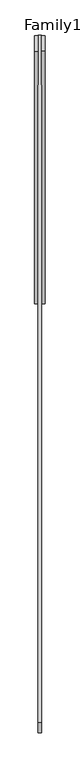
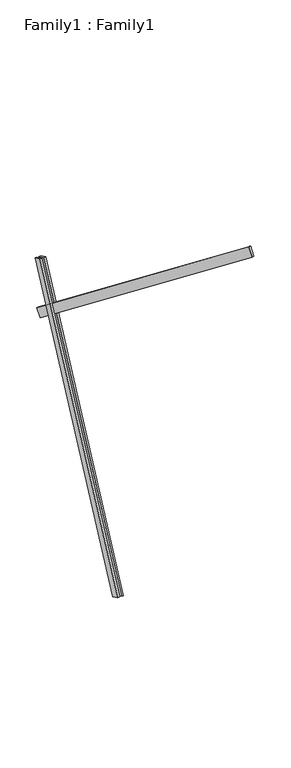
"""IFC4 building model written with IfcOpenShell, lengths in millimetres: proxy geometry, Family1 : Family1."""

from ifc_helpers import new_model, si_unit, frame, origin, place, context, project, spatial, polyline, outline, extrude, source, transform, mapped, element, save


def family1_family1_c0767b47(model_context):
    return source(origin(), model_context, "Body", "SweptSolid", [
        extrude(outline(polyline([(0.0, 0.0), (0.0, -20.0), (-100.0000001, -20.0), (-100.0000001, 0.0), (0.0, 0.0)])), frame((-30.0, 46.3241747, -22.5938096), z_axis=(0.0, 0.4383711467890692, 0.8987940462991711), x_axis=(0.0, 0.8987940462991711, -0.4383711467890692)), (0.0, 0.0, 1.0), 3300.0),
        extrude(outline(polyline([(0.0, 0.0), (0.0, -20.0), (-99.9999999, -20.0), (-99.9999999, 0.0), (0.0, 0.0)])), frame((10.0, 45.270232, -22.0797674), z_axis=(0.0, 0.4383711467890692, 0.8987940462991711), x_axis=(0.0, 0.8987940462991711, -0.4383711467890692)), (0.0, 0.0, 1.0), 3300.0),
        extrude(outline(polyline([(0.0, -20.0), (0.0, 0.0), (5000.0, 0.0), (5000.0, -20.0), (0.0, -20.0)])), frame((-10.0, -2505.6252, 5369.761986), z_axis=(0.0, 0.6156614753256598, 0.7880107536067208), x_axis=(0.0, 0.7880107536067208, -0.6156614753256598)), (0.0, 0.0, 1.0), 100.0),
    ])


if __name__ == "__main__":
    model = new_model("IFC4")
    model_context = context("Model", 3, world=origin())
    ifc_project = project(units=[si_unit("LENGTHUNIT", "METRE", prefix="MILLI")], contexts=[model_context])
    site = spatial("IfcSite", under=ifc_project)
    building = spatial("IfcBuilding", under=site)
    placement = place(None, origin())
    family1_family1_shape = family1_family1_c0767b47(model_context)
    element("IfcBuildingElementProxy", 1, Name="Family1 : Family1", ObjectType="Family1 : Family1", at=placement, inside=building, context=model_context, shape_type="MappedRepresentation", body=[
        mapped(family1_family1_shape, transform((0.0, 0.0, 0.0), x_axis=(1.0, 0.0, 0.0), y_axis=(0.0, 1.0, 0.0), z_axis=(0.0, 0.0, 1.0))),
    ])
    save(model, "model.ifc")
